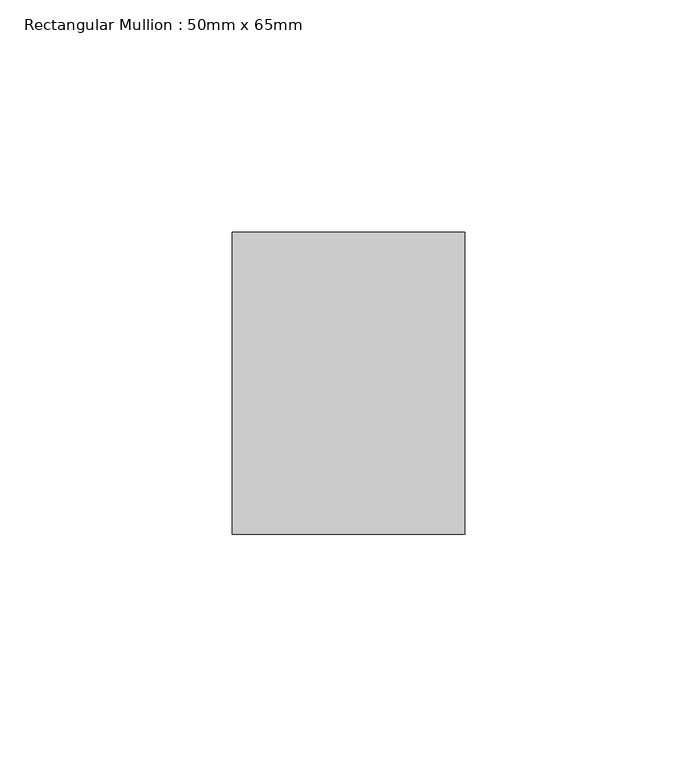
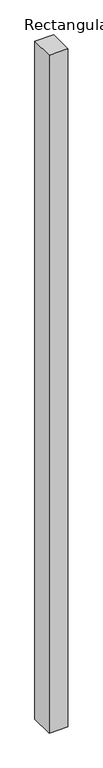
"""IFC4 building model written with IfcOpenShell, lengths in millimetres: member geometry, Rectangular Mullion : 50mm x 65mm."""

from ifc_helpers import new_model, si_unit, frame, origin, place, context, project, spatial, polyline, outline, extrude, source, transform, mapped, element, save


def rectangular_mullion_50mm_x_65mm_96298dc7(model_context):
    return source(origin(), model_context, "Body", "SweptSolid", [
        extrude(outline(polyline([(25.0, 32.5), (25.0, -32.5), (-25.0, -32.5), (-25.0, 32.5), (25.0, 32.5)])), frame((0.0, 0.0, -1897.701044), z_axis=(0.0, 0.0, 1.0), x_axis=(1.0, 0.0, 0.0)), (0.0, 0.0, 1.0), 1897.701044),
    ])


if __name__ == "__main__":
    model = new_model("IFC4")
    model_context = context("Model", 3, world=origin())
    ifc_project = project(units=[si_unit("LENGTHUNIT", "METRE", prefix="MILLI")], contexts=[model_context])
    site = spatial("IfcSite", under=ifc_project)
    building = spatial("IfcBuilding", under=site)
    placement = place(None, origin())
    rectangular_mullion_50mm_x_65mm_shape = rectangular_mullion_50mm_x_65mm_96298dc7(model_context)
    element("IfcMember", 1, ObjectType="Rectangular Mullion : 50mm x 65mm", at=placement, inside=building, context=model_context, shape_type="MappedRepresentation", body=[
        mapped(rectangular_mullion_50mm_x_65mm_shape, transform((0.0, 0.0, 0.0), x_axis=(1.0, 0.0, 0.0), y_axis=(0.0, 1.0, 0.0), z_axis=(0.0, 0.0, 1.0))),
    ])
    save(model, "model.ifc")
